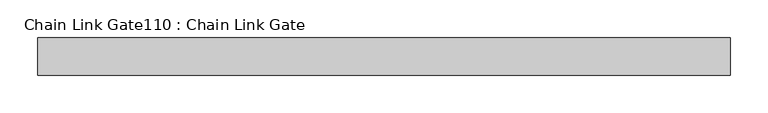
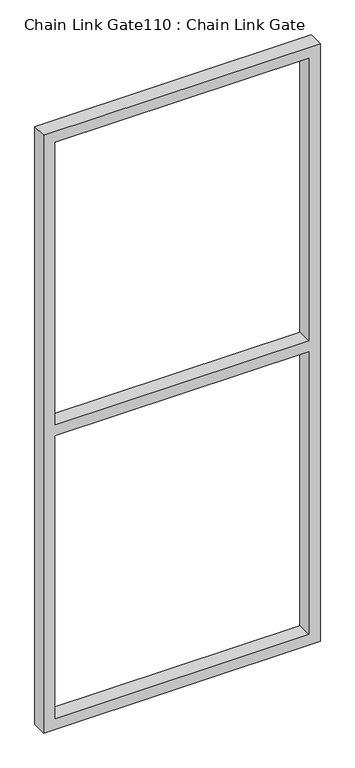
"""IFC4 building model written with IfcOpenShell, lengths in millimetres: proxy geometry, Chain Link Gate110 : Chain Link Gate."""

from ifc_helpers import new_model, si_unit, frame, origin, place, context, project, spatial, polyline, outline, extrude, source, transform, mapped, element, save


def chain_link_gate110_chain_link_gate_1ca5f5b9(model_context):
    return source(origin(), model_context, "Body", "SweptSolid", [
        extrude(outline(polyline([(2120.9, -8534.2695328), (12.7, -8534.2695328), (12.7, -7610.3445328), (2120.9, -7610.3445328), (2120.9, -8534.2695328)]), holes=[polyline([(2082.8, -8496.1695328), (2082.8, -7648.4445328), (1085.85, -7648.4445328), (1085.85, -8496.1695328), (2082.8, -8496.1695328)]), polyline([(1047.75, -7648.4445328), (50.8, -7648.4445328), (50.8, -8496.1695328), (1047.75, -8496.1695328), (1047.75, -7648.4445328)])]), frame((0.0, 38578.8336184, 0.0), z_axis=(0.0, 1.0, 0.0), x_axis=(0.0, 0.0, 1.0)), (0.0, 0.0, 1.0), 50.1314753),
    ])


if __name__ == "__main__":
    model = new_model("IFC4")
    model_context = context("Model", 3, world=origin())
    ifc_project = project(units=[si_unit("LENGTHUNIT", "METRE", prefix="MILLI")], contexts=[model_context])
    site = spatial("IfcSite", under=ifc_project)
    building = spatial("IfcBuilding", under=site)
    placement = place(None, origin())
    chain_link_gate110_chain_link_gate_shape = chain_link_gate110_chain_link_gate_1ca5f5b9(model_context)
    element("IfcBuildingElementProxy", 1, Name="Chain Link Gate110 : Chain Link Gate", ObjectType="Chain Link Gate110 : Chain Link Gate", at=placement, inside=building, context=model_context, shape_type="MappedRepresentation", body=[
        mapped(chain_link_gate110_chain_link_gate_shape, transform((0.0, 0.0, 0.0), x_axis=(1.0, 0.0, 0.0), y_axis=(0.0, 1.0, 0.0), z_axis=(0.0, 0.0, 1.0))),
    ])
    save(model, "model.ifc")
